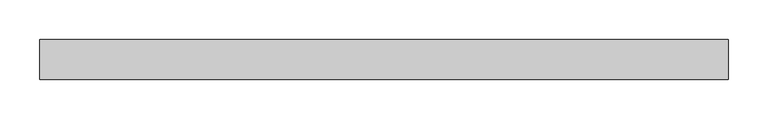
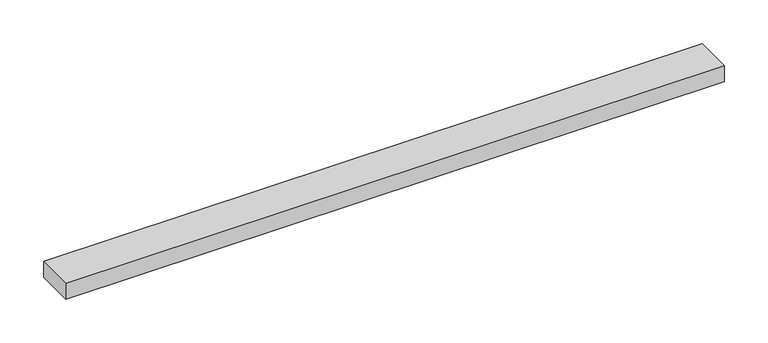
"""IFC4 building model written with IfcOpenShell, lengths in millimetres: beam geometry."""

from ifc_helpers import new_model, si_unit, frame, origin, place, context, project, spatial, polyline, outline, extrude, source, transform, mapped, element, save


def beam_16c1fdd8(model_context):
    return source(origin(), model_context, "Body", "SweptSolid", [
        extrude(outline(polyline([(445.2504258, 25.0), (445.2504258, -25.0), (-420.2504258, -25.0), (-420.2504258, 25.0), (445.2504258, 25.0)])), frame((0.0, 0.0, -11.0), z_axis=(0.0, 0.0, 1.0), x_axis=(1.0, 0.0, 0.0)), (0.0, 0.0, 1.0), 22.0),
    ])


if __name__ == "__main__":
    model = new_model("IFC4")
    model_context = context("Model", 3, world=origin())
    ifc_project = project(units=[si_unit("LENGTHUNIT", "METRE", prefix="MILLI")], contexts=[model_context])
    site = spatial("IfcSite", under=ifc_project)
    building = spatial("IfcBuilding", under=site)
    placement = place(None, origin())
    beam_shape = beam_16c1fdd8(model_context)
    element("IfcBeam", 1, at=placement, inside=building, context=model_context, shape_type="MappedRepresentation", body=[
        mapped(beam_shape, transform((0.0, 0.0, 0.0), x_axis=(1.0, 0.0, 0.0), y_axis=(0.0, 1.0, 0.0), z_axis=(0.0, 0.0, 1.0))),
    ])
    save(model, "model.ifc")
